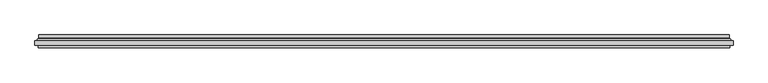
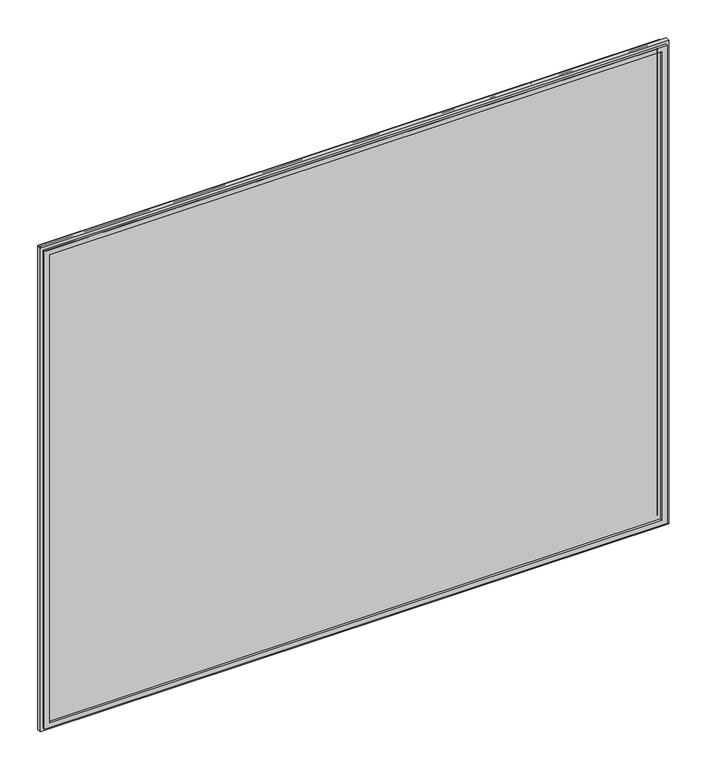
"""IFC4 building model written with IfcOpenShell, lengths in millimetres: plate geometry."""

import ifcopenshell
import ifcopenshell.guid

model = None  # the IFC model being written
_history = None  # IfcOwnerHistory: only IFC2X3 demands one
_inside = {}  # id of a spatial element -> (the spatial element, [elements in it])
_under = {}  # id of a project, library or spatial element -> (it, [spatial elements below it])
_declared = {}  # id of a project -> (the project, [libraries it declares])
_typed = {}  # id of a type object -> (the type object, [elements of that type])
_made_of = {}  # id of a material, layer set ... -> (it, [elements and type objects made of it])


def new_model(schema):
    """Start an empty IFC model of exactly this schema.

    Asked for "IFC4X3", IfcOpenShell would pick the latest addendum, in which some entities
    have other attributes; the version numbers below select the first issue.
    IFC2X3 requires an IfcOwnerHistory on every rooted entity: one is made here for all.
    """
    global model, _history
    if schema == "IFC4X3":
        model = ifcopenshell.file(schema_version=(4, 3, 0, 0))
    else:
        model = ifcopenshell.file(schema=schema)
    _inside.clear()
    _under.clear()
    _declared.clear()
    _typed.clear()
    _made_of.clear()
    _history = None
    if model.schema == "IFC2X3":
        org = make("IfcOrganization", Name="unknown")
        user = make(
            "IfcPersonAndOrganization",
            ThePerson=make("IfcPerson", FamilyName="unknown"),
            TheOrganization=org,
        )
        app = make(
            "IfcApplication",
            ApplicationDeveloper=org,
            Version="unknown",
            ApplicationFullName="unknown",
            ApplicationIdentifier="unknown",
        )
        _history = make(
            "IfcOwnerHistory",
            OwningUser=user,
            OwningApplication=app,
            ChangeAction="ADDED",
            CreationDate=0,
        )
    return model


def make(cls, **values):
    """One entity of the class cls with the attributes given. An attribute that is None is left unset."""
    return model.create_entity(
        cls, **{name: value for name, value in values.items() if value is not None}
    )


def rooted(cls, **values):
    """An entity with a GlobalId (a new one), such as an element, a storey or a relation."""
    return make(cls, GlobalId=ifcopenshell.guid.new(), OwnerHistory=_history, **values)


def si_unit(unit_type, name, prefix=None):
    """IfcSIUnit, for example si_unit("LENGTHUNIT", "METRE", prefix="MILLI")."""
    return make("IfcSIUnit", UnitType=unit_type, Prefix=prefix, Name=name)


def assignment(units):
    """IfcUnitAssignment: the units of a project."""
    return None if units is None else make("IfcUnitAssignment", Units=units)


def point(xyz):
    """IfcCartesianPoint."""
    return None if xyz is None else make("IfcCartesianPoint", Coordinates=xyz)


def direction(xyz):
    """IfcDirection."""
    return None if xyz is None else make("IfcDirection", DirectionRatios=xyz)


def frame(location, z_axis=None, x_axis=None):
    """IfcAxis2Placement3D, a coordinate frame: its origin and axes. An axis left out is left unset."""
    return make(
        "IfcAxis2Placement3D",
        Location=point(location),
        Axis=direction(z_axis),
        RefDirection=direction(x_axis),
    )


def origin():
    """The frame at (0, 0, 0) with its axes left unset."""
    return frame((0.0, 0.0, 0.0))


def place(relative_to, where):
    """IfcLocalPlacement: puts the frame where relative to a parent placement (None: the world)."""
    return make(
        "IfcLocalPlacement", PlacementRelTo=relative_to, RelativePlacement=where
    )


def context(
    kind, dimensions, precision=None, world=None, true_north=None, identifier=None
):
    """IfcGeometricRepresentationContext, for example the 3D "Model" context."""
    return make(
        "IfcGeometricRepresentationContext",
        ContextIdentifier=identifier,
        ContextType=kind,
        CoordinateSpaceDimension=dimensions,
        Precision=precision,
        WorldCoordinateSystem=world,
        TrueNorth=true_north,
    )


def project(units=None, contexts=None):
    """IfcProject with its units and contexts."""
    return rooted(
        "IfcProject",
        Name="project",
        RepresentationContexts=contexts,
        UnitsInContext=assignment(units),
    )


def spatial(cls, under=None, at=None, **own):
    """A site, building, storey or space (cls), placed at a placement, below another one or the project."""
    s = rooted(cls, ObjectPlacement=at, **own)
    if under is not None:
        _under.setdefault(under.id(), (under, []))[1].append(s)
    return s


def polyline(points):
    """IfcPolyline through the points."""
    return make("IfcPolyline", Points=[point(p) for p in points])


def ellipse_curve(where, semi_axis1, semi_axis2):
    """IfcEllipse in the frame where."""
    return make(
        "IfcEllipse", Position=where, SemiAxis1=semi_axis1, SemiAxis2=semi_axis2
    )


def outline(outer, holes=None, kind="AREA"):
    """IfcArbitraryClosedProfileDef: a profile drawn as a closed curve; with holes, ...WithVoids."""
    if holes is None:
        return make("IfcArbitraryClosedProfileDef", ProfileType=kind, OuterCurve=outer)
    return make(
        "IfcArbitraryProfileDefWithVoids",
        ProfileType=kind,
        OuterCurve=outer,
        InnerCurves=holes,
    )


def extrude(swept, where, along, depth):
    """IfcExtrudedAreaSolid: the profile swept, set in the frame where, extruded along a direction by depth."""
    return make(
        "IfcExtrudedAreaSolid",
        SweptArea=swept,
        Position=where,
        ExtrudedDirection=direction(along),
        Depth=depth,
    )


def shape(context_of_items, identifier, shape_type, items):
    """IfcShapeRepresentation: the items that make up one representation, for example the "Body"."""
    return make(
        "IfcShapeRepresentation",
        ContextOfItems=context_of_items,
        RepresentationIdentifier=identifier,
        RepresentationType=shape_type,
        Items=items,
    )


def source(mapping_origin, context_of_items, identifier, shape_type, items):
    """IfcRepresentationMap: a shape defined once, which mapped items show again and again."""
    return make(
        "IfcRepresentationMap",
        MappingOrigin=mapping_origin,
        MappedRepresentation=shape(context_of_items, identifier, shape_type, items),
    )


def transform(
    local_origin,
    x_axis=None,
    y_axis=None,
    z_axis=None,
    scale=None,
    scale2=None,
    scale3=None,
    uniform=True,
):
    """IfcCartesianTransformationOperator3D, or its non-uniform kind. x_axis, y_axis, z_axis: its Axis1, 2, 3."""
    if uniform:
        return make(
            "IfcCartesianTransformationOperator3D",
            Axis1=direction(x_axis),
            Axis2=direction(y_axis),
            LocalOrigin=point(local_origin),
            Scale=scale,
            Axis3=direction(z_axis),
        )
    return make(
        "IfcCartesianTransformationOperator3DnonUniform",
        Axis1=direction(x_axis),
        Axis2=direction(y_axis),
        LocalOrigin=point(local_origin),
        Scale=scale,
        Axis3=direction(z_axis),
        Scale2=scale2,
        Scale3=scale3,
    )


def mapped(mapping_source, mapping_target):
    """IfcMappedItem: shows the shape of a source again, moved by a transform."""
    return make(
        "IfcMappedItem", MappingSource=mapping_source, MappingTarget=mapping_target
    )


def made_of(thing, what):
    """Note that an element or type object is made of a material, layer set ...; save() writes the relation."""
    if what is not None:
        _made_of.setdefault(what.id(), (what, []))[1].append(thing)
    return thing


def element(
    cls,
    number,
    at=None,
    inside=None,
    cuts=None,
    type_object=None,
    material=None,
    context=None,
    identifier="Body",
    shape_type=None,
    held_by="IfcProductDefinitionShape",
    body=None,
    shapes=None,
    **own,
):
    """One element of the class cls, such as IfcWall. Its Tag is "e" and its number.

    at: its placement. inside: the storey or other place that contains it. cuts: it is an
    opening in that element (IfcRelVoidsElement). A single representation is given by context,
    identifier, shape_type and body (its items); several are given by shapes. held_by: the class
    of the entity that holds the representations. save() writes the other relations.
    """
    e = rooted(cls, Tag="e%d" % number, ObjectPlacement=at, **own)
    if body is not None:
        shapes = [shape(context, identifier, shape_type, body)]
    if shapes is not None:
        e.Representation = make(held_by, Representations=shapes)
    if inside is not None:
        _inside.setdefault(inside.id(), (inside, []))[1].append(e)
    if cuts is not None:
        rooted(
            "IfcRelVoidsElement", RelatingBuildingElement=cuts, RelatedOpeningElement=e
        )
    if type_object is not None:
        _typed.setdefault(type_object.id(), (type_object, []))[1].append(e)
    return made_of(e, material)


def aggregate(whole, parts):
    """IfcRelAggregates: a whole, such as a stair, and the parts it consists of."""
    return rooted("IfcRelAggregates", RelatingObject=whole, RelatedObjects=parts)


def save(model, path):
    """Write the relations noted so far, then the file.

    IfcRelAggregates (storeys below a building ...), IfcRelContainedInSpatialStructure (elements
    in a storey), IfcRelDefinesByType, IfcRelAssociatesMaterial and IfcRelDeclares: one each for
    every whole, place, type object, material and project.
    """
    for whole, parts in _under.values():
        aggregate(whole, parts)
    for where, things in _inside.values():
        rooted(
            "IfcRelContainedInSpatialStructure",
            RelatedElements=things,
            RelatingStructure=where,
        )
    for kind, things in _typed.values():
        rooted("IfcRelDefinesByType", RelatedObjects=things, RelatingType=kind)
    for what, things in _made_of.values():
        rooted("IfcRelAssociatesMaterial", RelatedObjects=things, RelatingMaterial=what)
    for by, libraries in _declared.values():
        rooted("IfcRelDeclares", RelatingContext=by, RelatedDefinitions=libraries)
    model.write(path)


def plane_surface(at):
    """IfcPlane: the flat surface through the origin of the frame at, square to its z axis."""
    return make("IfcPlane", Position=at)


def cylinder_surface(at, radius):
    """IfcCylindricalSurface: all points at the distance radius from the z axis of the frame at."""
    return make("IfcCylindricalSurface", Position=at, Radius=radius)


def revolved_surface(curve, axis_point, axis_direction):
    """IfcSurfaceOfRevolution: the curve turned about the line through axis_point along axis_direction."""
    return make(
        "IfcSurfaceOfRevolution",
        SweptCurve=make("IfcArbitraryOpenProfileDef", ProfileType="CURVE", Curve=curve),
        AxisPosition=make("IfcAxis1Placement", Location=point(axis_point), Axis=direction(axis_direction)),
    )


def advanced_brep(points, edges, surfaces, faces):
    """IfcAdvancedBrep: a solid bounded by faces that lie on surfaces and meet in shared edges.

    An edge is (start, end): straight between two places in points (the first is 0);
    or (start, end, curve); or (start, end, curve, False) where it runs against its curve.
    A face is (place in surfaces, loops), or (place, loops, False) where it looks against
    its surface's normal. A loop lists edges by number (the first is 1), with a minus sign
    where the edge is run from its end to its start. The first loop is the outer one.
    """
    corners = [point(p) for p in points]
    vertices = [make("IfcVertexPoint", VertexGeometry=c) for c in corners]
    made = []
    for start, end, *more in edges:
        made.append(
            make(
                "IfcEdgeCurve",
                EdgeStart=vertices[start],
                EdgeEnd=vertices[end],
                EdgeGeometry=more[0] if more else make("IfcPolyline", Points=[corners[start], corners[end]]),
                SameSense=more[1] if len(more) > 1 else True,
            )
        )
    hull = []
    for where, loops, *sense in faces:
        bounds = []
        for j, loop in enumerate(loops):
            ring = [make("IfcOrientedEdge", EdgeElement=made[abs(k) - 1], Orientation=k > 0) for k in loop]
            bounds.append(
                make(
                    "IfcFaceOuterBound" if j == 0 else "IfcFaceBound",
                    Bound=make("IfcEdgeLoop", EdgeList=ring),
                    Orientation=True,
                )
            )
        hull.append(make("IfcAdvancedFace", Bounds=bounds, FaceSurface=surfaces[where], SameSense=sense[0] if sense else True))
    return make("IfcAdvancedBrep", Outer=make("IfcClosedShell", CfsFaces=hull))


def plate_59d0729f(model_context):
    return source(origin(), model_context, "Body", "SolidModel", [
        advanced_brep(
        [(-587.5000001, 4.8968153, 19.5), (587.5000001, 4.8968153, 19.5), (587.5000001, 11.0, 19.5), (-587.5000001, 11.0, 19.5), (587.5000001, 4.8968153, 969.5000002), (587.5000001, 11.0, 969.5000002), (-587.5000001, 4.8968153, 969.5000002), (-587.5000001, 11.0, 969.5000002), (-597.6737948, 1.0, 9.3262053), (597.6737948, 1.0, 9.3262053), (597.6737948, 1.0, 979.6737949), (-597.6737948, 1.0, 979.6737949), (587.2225564, 1.0, 19.7774437), (-587.2225564, 1.0, 19.7774437), (-587.2225564, 1.0, 969.2225565), (587.2225564, 1.0, 969.2225565), (596.5000001, 11.0, 10.5), (-596.5000001, 11.0, 10.5), (-596.5000001, 11.0, 978.5000002), (596.5000001, 11.0, 978.5000002), (596.5000001, 5.9174454, 10.5), (-596.5000001, 5.9174454, 10.5), (596.5000001, 5.9174454, 978.5000002), (-596.5000001, 5.9174454, 978.5000002), (-586.5765978, 3.2113072, 20.4234023), (586.5765978, 3.2113072, 20.4234023), (-598.0737753, 3.96339, 8.9262248), (598.0737753, 3.96339, 8.9262248), (586.5765978, 3.2113072, 968.5765979), (598.0737753, 3.96339, 980.0737755), (-586.5765978, 3.2113072, 968.5765979), (-598.0737753, 3.96339, 980.0737755)],
        [
            (0, 1),
            (1, 2),
            (2, 3),
            (3, 0),
            (1, 4),
            (4, 5),
            (5, 2),
            (4, 6),
            (6, 7),
            (7, 5),
            (8, 9),
            (9, 10),
            (10, 11),
            (11, 8),
            (12, 13),
            (13, 14),
            (14, 15),
            (15, 12),
            (16, 17),
            (17, 18),
            (18, 19),
            (19, 16),
            (7, 3),
            (6, 0),
            (16, 20),
            (20, 21),
            (21, 17),
            (19, 22),
            (22, 20),
            (18, 23),
            (23, 22),
            (21, 23),
            (24, 25),
            (25, 1, ellipse_curve(frame((585.5000001, 4.8968153, 21.5), z_axis=(0.7071067811865475, 0.0, 0.7071067811865475), x_axis=(0.7071067811865476, 0.0, -0.7071067811865474)), 2.8284271, 2.0)),
            (0, 24, ellipse_curve(frame((-585.5000001, 4.8968153, 21.5), z_axis=(-0.7071067811865475, 0.0, 0.7071067811865475), x_axis=(0.7071067811865476, 0.0, 0.7071067811865474)), 2.8284271, 2.0)),
            (12, 25, ellipse_curve(frame((587.2225564, 2.2000024, 19.7774437), z_axis=(-0.7071067811865475, 0.0, -0.7071067811865475), x_axis=(-0.7071067811865476, 0.0, 0.7071067811865474)), 1.6970563, 1.2)),
            (24, 13, ellipse_curve(frame((-587.2225564, 2.2000024, 19.7774437), z_axis=(0.7071067811865475, 0.0, -0.7071067811865475), x_axis=(-0.7071067811865476, 0.0, -0.7071067811865474)), 1.6970563, 1.2)),
            (26, 27),
            (27, 9, ellipse_curve(frame((597.7541068, 2.4978485, 9.2458934), z_axis=(-0.7071067811865475, 0.0, -0.7071067811865475), x_axis=(-0.7071067811865476, 0.0, 0.7071067811865474)), 2.1213203, 1.5)),
            (8, 26, ellipse_curve(frame((-597.7541068, 2.4978485, 9.2458934), z_axis=(0.7071067811865475, 0.0, -0.7071067811865475), x_axis=(-0.7071067811865476, 0.0, -0.7071067811865474)), 2.1213203, 1.5)),
            (20, 27, ellipse_curve(frame((598.5000001, 5.9174454, 8.5), z_axis=(0.7071067811865475, 0.0, 0.7071067811865475), x_axis=(0.7071067811865476, 0.0, -0.7071067811865474)), 2.8284271, 2.0)),
            (26, 21, ellipse_curve(frame((-598.5000001, 5.9174454, 8.5), z_axis=(-0.7071067811865475, 0.0, 0.7071067811865475), x_axis=(0.7071067811865476, 0.0, 0.7071067811865474)), 2.8284271, 2.0)),
            (25, 28),
            (28, 4, ellipse_curve(frame((585.5000001, 4.8968153, 967.5000002), z_axis=(-0.7071067811865475, 0.0, 0.7071067811865475), x_axis=(0.7071067811865474, 0.0, 0.7071067811865476)), 2.8284271, 2.0)),
            (15, 28, ellipse_curve(frame((587.2225564, 2.2000024, 969.2225565), z_axis=(0.7071067811865475, 0.0, -0.7071067811865475), x_axis=(-0.7071067811865474, 0.0, -0.7071067811865476)), 1.6970563, 1.2)),
            (27, 29),
            (29, 10, ellipse_curve(frame((597.7541068, 2.4978485, 979.7541069), z_axis=(0.7071067811865475, 0.0, -0.7071067811865475), x_axis=(-0.7071067811865474, 0.0, -0.7071067811865476)), 2.1213203, 1.5)),
            (22, 29, ellipse_curve(frame((598.5000001, 5.9174454, 980.5000002), z_axis=(-0.7071067811865475, 0.0, 0.7071067811865475), x_axis=(0.7071067811865474, 0.0, 0.7071067811865476)), 2.8284271, 2.0)),
            (28, 30),
            (30, 6, ellipse_curve(frame((-585.5000001, 4.8968153, 967.5000002), z_axis=(-0.7071067811865475, 0.0, -0.7071067811865475), x_axis=(-0.7071067811865476, 0.0, 0.7071067811865474)), 2.8284271, 2.0)),
            (14, 30, ellipse_curve(frame((-587.2225564, 2.2000024, 969.2225565), z_axis=(0.7071067811865475, 0.0, 0.7071067811865475), x_axis=(0.7071067811865476, 0.0, -0.7071067811865474)), 1.6970563, 1.2)),
            (29, 31),
            (31, 11, ellipse_curve(frame((-597.7541068, 2.4978485, 979.7541069), z_axis=(0.7071067811865475, 0.0, 0.7071067811865475), x_axis=(0.7071067811865476, 0.0, -0.7071067811865474)), 2.1213203, 1.5)),
            (23, 31, ellipse_curve(frame((-598.5000001, 5.9174454, 980.5000002), z_axis=(-0.7071067811865475, 0.0, -0.7071067811865475), x_axis=(-0.7071067811865476, 0.0, 0.7071067811865474)), 2.8284271, 2.0)),
            (30, 24),
            (31, 26),
        ],
        [
            plane_surface(frame((-587.5000001, 11.0, 19.5), z_axis=(0.0, 0.0, 1.0), x_axis=(1.0, 0.0, 0.0))),
            plane_surface(frame((587.5000001, 11.0, 19.5), z_axis=(-1.0, 0.0, 0.0), x_axis=(0.0, 0.0, 1.0))),
            plane_surface(frame((587.5000001, 11.0, 969.5000002), z_axis=(0.0, 0.0, -1.0), x_axis=(-1.0, 0.0, 0.0))),
            plane_surface(frame((-587.2225564, 1.0, 969.2225565), z_axis=(0.0, -1.0, 0.0), x_axis=(0.0, 0.0, -1.0))),
            plane_surface(frame((-596.5000001, 11.0, 978.5000002), z_axis=(0.0, 1.0, 0.0), x_axis=(0.0, 0.0, -1.0))),
            plane_surface(frame((-587.5000001, 11.0, 969.5000002), z_axis=(1.0, 0.0, 0.0), x_axis=(0.0, 0.0, -1.0))),
            plane_surface(frame((-596.5000001, 5.9174454, 10.5), z_axis=(0.0, 0.0, -1.0), x_axis=(1.0, 0.0, 0.0))),
            plane_surface(frame((596.5000001, 5.9174454, 10.5), z_axis=(1.0, 0.0, 0.0), x_axis=(0.0, 0.0, 1.0))),
            plane_surface(frame((596.5000001, 5.9174454, 978.5000002), z_axis=(0.0, 0.0, 1.0), x_axis=(-1.0, 0.0, 0.0))),
            plane_surface(frame((-596.5000001, 5.9174454, 978.5000002), z_axis=(-1.0, 0.0, 0.0), x_axis=(0.0, 0.0, -1.0))),
            revolved_surface(polyline([(587.5000001, 2.8968153, 21.5), (-587.5000001, 2.8968153, 21.5)]), (-607.0000001, 4.8968153, 21.5), (1.0, 0.0, 0.0)),
            cylinder_surface(frame((-607.0000001, 2.2000024, 19.7774437), z_axis=(-1.0, 0.0, 0.0), x_axis=(0.0, -1.0, 0.0)), 1.2),
            cylinder_surface(frame((-607.0000001, 2.4978485, 9.2458934), z_axis=(-1.0, 0.0, 0.0), x_axis=(0.0, -1.0, 0.0)), 1.5),
            revolved_surface(polyline([(600.5000000825017, 3.9174454, 8.5), (-600.5000000825017, 3.9174454, 8.5)]), (-607.0000001, 5.9174454, 8.5), (1.0, 0.0, 0.0)),
            revolved_surface(polyline([(585.5000001, 2.8968153, 969.5000002), (585.5000001, 2.8968153, 19.5)]), (585.5000001, 4.8968153, 0.0), (0.0, 0.0, 1.0)),
            cylinder_surface(frame((587.2225564, 2.2000024, 0.0), z_axis=(0.0, 0.0, -1.0), x_axis=(0.0, -1.0, 0.0)), 1.2),
            cylinder_surface(frame((597.7541068, 2.4978485, 0.0), z_axis=(0.0, 0.0, -1.0), x_axis=(0.0, -1.0, 0.0)), 1.5),
            revolved_surface(polyline([(598.5000001, 3.9174454, 982.5000001825018), (598.5000001, 3.9174454, 6.500000017498199)]), (598.5000001, 5.9174454, 0.0), (0.0, 0.0, 1.0)),
            revolved_surface(polyline([(-587.5000001, 2.8968153, 967.5000002), (587.5000001, 2.8968153, 967.5000002)]), (607.0000001, 4.8968153, 967.5000002), (-1.0, 0.0, 0.0)),
            cylinder_surface(frame((607.0000001, 2.2000024, 969.2225565), z_axis=(1.0, 0.0, 0.0), x_axis=(0.0, -1.0, 0.0)), 1.2),
            cylinder_surface(frame((607.0000001, 2.4978485, 979.7541069), z_axis=(1.0, 0.0, 0.0), x_axis=(0.0, -1.0, 0.0)), 1.5),
            revolved_surface(polyline([(-600.5000000825017, 3.9174454, 980.5000002), (600.5000000825017, 3.9174454, 980.5000002)]), (607.0000001, 5.9174454, 980.5000002), (-1.0, 0.0, 0.0)),
            revolved_surface(polyline([(-585.5000001, 2.8968153, 19.5), (-585.5000001, 2.8968153, 969.5000002)]), (-585.5000001, 4.8968153, 989.0000002), (0.0, 0.0, -1.0)),
            cylinder_surface(frame((-587.2225564, 2.2000024, 989.0000002), z_axis=(0.0, 0.0, 1.0), x_axis=(0.0, -1.0, 0.0)), 1.2),
            cylinder_surface(frame((-597.7541068, 2.4978485, 989.0000002), z_axis=(0.0, 0.0, 1.0), x_axis=(0.0, -1.0, 0.0)), 1.5),
            revolved_surface(polyline([(-598.5000001, 3.9174454, 6.500000017498223), (-598.5000001, 3.9174454, 982.5000001825018)]), (-598.5000001, 5.9174454, 989.0000002), (0.0, 0.0, -1.0)),
        ],
        [
            (0, [[1, 2, 3, 4]]),
            (1, [[5, 6, 7, -2]]),
            (2, [[8, 9, 10, -6]]),
            (3, [[11, 12, 13, 14], [15, 16, 17, 18]]),
            (4, [[19, 20, 21, 22], [-3, -7, -10, 23]]),
            (5, [[24, -4, -23, -9]]),
            (6, [[-19, 25, 26, 27]]),
            (7, [[-22, 28, 29, -25]]),
            (8, [[-21, 30, 31, -28]]),
            (9, [[-20, -27, 32, -30]]),
            (10, [[33, 34, -1, 35]]),
            (11, [[-15, 36, -33, 37]]),
            (12, [[38, 39, -11, 40]]),
            (13, [[-26, 41, -38, 42]]),
            (14, [[43, 44, -5, -34]]),
            (15, [[-18, 45, -43, -36]]),
            (16, [[46, 47, -12, -39]]),
            (17, [[-29, 48, -46, -41]]),
            (18, [[49, 50, -8, -44]]),
            (19, [[-17, 51, -49, -45]]),
            (20, [[52, 53, -13, -47]]),
            (21, [[-31, 54, -52, -48]]),
            (22, [[55, -35, -24, -50]]),
            (23, [[-16, -37, -55, -51]]),
            (24, [[56, -40, -14, -53]]),
            (25, [[-32, -42, -56, -54]]),
        ],
    ),
        extrude(outline(polyline([(9.5, -597.5000001), (9.5, 597.5000001), (979.5000002, 597.5000001), (979.5000002, -597.5000001), (9.5, -597.5000001)]), holes=[polyline([(19.5, 587.5000001), (19.5, -587.5000001), (969.5000002, -587.5000001), (969.5000002, 587.5000001), (19.5, 587.5000001)])]), frame((0.0, -11.0, 0.0), z_axis=(0.0, 1.0, 0.0), x_axis=(0.0, 0.0, 1.0)), (0.0, 0.0, 1.0), 4.0),
        extrude(outline(polyline([(-603.0000001, -7.0), (-603.0000001, 1.0), (603.0000001, 1.0), (603.0000001, -7.0), (-603.0000001, -7.0)])), frame((0.0, 0.0, 4.0), z_axis=(0.0, 0.0, 1.0), x_axis=(1.0, 0.0, 0.0)), (0.0, 0.0, 1.0), 981.0000002),
    ])


if __name__ == "__main__":
    model = new_model("IFC4")
    model_context = context("Model", 3, world=origin())
    ifc_project = project(units=[si_unit("LENGTHUNIT", "METRE", prefix="MILLI")], contexts=[model_context])
    site = spatial("IfcSite", under=ifc_project)
    building = spatial("IfcBuilding", under=site)
    placement = place(None, origin())
    plate_shape = plate_59d0729f(model_context)
    element("IfcPlate", 1, at=placement, inside=building, context=model_context, shape_type="MappedRepresentation", body=[
        mapped(plate_shape, transform((0.0, 0.0, 0.0), x_axis=(1.0, 0.0, 0.0), y_axis=(0.0, 1.0, 0.0), z_axis=(0.0, 0.0, 1.0))),
    ])
    save(model, "model.ifc")
